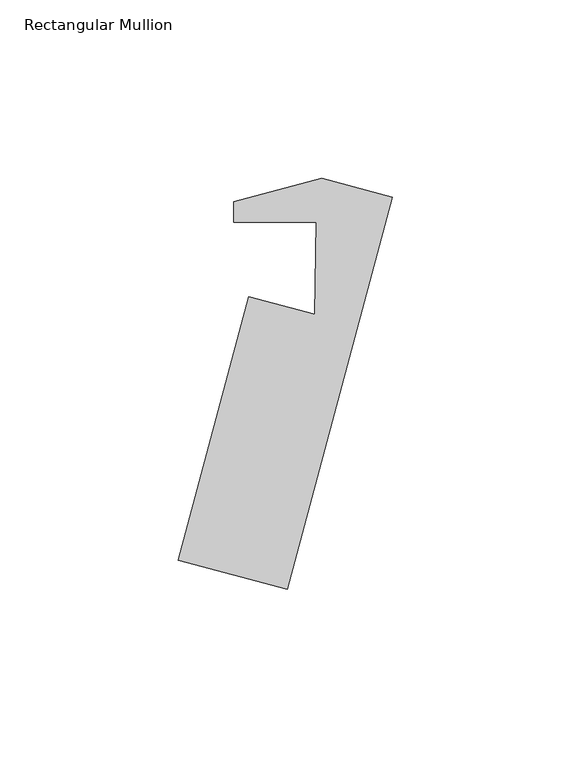
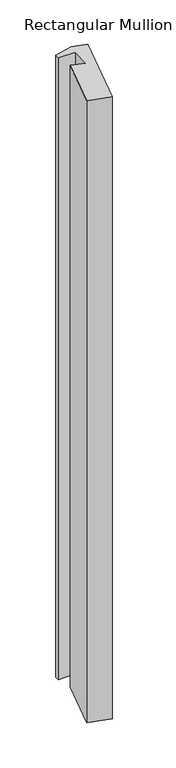
"""IFC4 building model written with IfcOpenShell, lengths in millimetres: member geometry, Rectangular Mullion."""

import ifcopenshell
import ifcopenshell.guid

model = None  # the IFC model being written
_history = None  # IfcOwnerHistory: only IFC2X3 demands one
_inside = {}  # id of a spatial element -> (the spatial element, [elements in it])
_under = {}  # id of a project, library or spatial element -> (it, [spatial elements below it])
_declared = {}  # id of a project -> (the project, [libraries it declares])
_typed = {}  # id of a type object -> (the type object, [elements of that type])
_made_of = {}  # id of a material, layer set ... -> (it, [elements and type objects made of it])


def new_model(schema):
    """Start an empty IFC model of exactly this schema.

    Asked for "IFC4X3", IfcOpenShell would pick the latest addendum, in which some entities
    have other attributes; the version numbers below select the first issue.
    IFC2X3 requires an IfcOwnerHistory on every rooted entity: one is made here for all.
    """
    global model, _history
    if schema == "IFC4X3":
        model = ifcopenshell.file(schema_version=(4, 3, 0, 0))
    else:
        model = ifcopenshell.file(schema=schema)
    _inside.clear()
    _under.clear()
    _declared.clear()
    _typed.clear()
    _made_of.clear()
    _history = None
    if model.schema == "IFC2X3":
        org = make("IfcOrganization", Name="unknown")
        user = make(
            "IfcPersonAndOrganization",
            ThePerson=make("IfcPerson", FamilyName="unknown"),
            TheOrganization=org,
        )
        app = make(
            "IfcApplication",
            ApplicationDeveloper=org,
            Version="unknown",
            ApplicationFullName="unknown",
            ApplicationIdentifier="unknown",
        )
        _history = make(
            "IfcOwnerHistory",
            OwningUser=user,
            OwningApplication=app,
            ChangeAction="ADDED",
            CreationDate=0,
        )
    return model


def make(cls, **values):
    """One entity of the class cls with the attributes given. An attribute that is None is left unset."""
    return model.create_entity(
        cls, **{name: value for name, value in values.items() if value is not None}
    )


def rooted(cls, **values):
    """An entity with a GlobalId (a new one), such as an element, a storey or a relation."""
    return make(cls, GlobalId=ifcopenshell.guid.new(), OwnerHistory=_history, **values)


def si_unit(unit_type, name, prefix=None):
    """IfcSIUnit, for example si_unit("LENGTHUNIT", "METRE", prefix="MILLI")."""
    return make("IfcSIUnit", UnitType=unit_type, Prefix=prefix, Name=name)


def assignment(units):
    """IfcUnitAssignment: the units of a project."""
    return None if units is None else make("IfcUnitAssignment", Units=units)


def point(xyz):
    """IfcCartesianPoint."""
    return None if xyz is None else make("IfcCartesianPoint", Coordinates=xyz)


def direction(xyz):
    """IfcDirection."""
    return None if xyz is None else make("IfcDirection", DirectionRatios=xyz)


def frame(location, z_axis=None, x_axis=None):
    """IfcAxis2Placement3D, a coordinate frame: its origin and axes. An axis left out is left unset."""
    return make(
        "IfcAxis2Placement3D",
        Location=point(location),
        Axis=direction(z_axis),
        RefDirection=direction(x_axis),
    )


def origin():
    """The frame at (0, 0, 0) with its axes left unset."""
    return frame((0.0, 0.0, 0.0))


def place(relative_to, where):
    """IfcLocalPlacement: puts the frame where relative to a parent placement (None: the world)."""
    return make(
        "IfcLocalPlacement", PlacementRelTo=relative_to, RelativePlacement=where
    )


def context(
    kind, dimensions, precision=None, world=None, true_north=None, identifier=None
):
    """IfcGeometricRepresentationContext, for example the 3D "Model" context."""
    return make(
        "IfcGeometricRepresentationContext",
        ContextIdentifier=identifier,
        ContextType=kind,
        CoordinateSpaceDimension=dimensions,
        Precision=precision,
        WorldCoordinateSystem=world,
        TrueNorth=true_north,
    )


def project(units=None, contexts=None):
    """IfcProject with its units and contexts."""
    return rooted(
        "IfcProject",
        Name="project",
        RepresentationContexts=contexts,
        UnitsInContext=assignment(units),
    )


def spatial(cls, under=None, at=None, **own):
    """A site, building, storey or space (cls), placed at a placement, below another one or the project."""
    s = rooted(cls, ObjectPlacement=at, **own)
    if under is not None:
        _under.setdefault(under.id(), (under, []))[1].append(s)
    return s


def polyline(points):
    """IfcPolyline through the points."""
    return make("IfcPolyline", Points=[point(p) for p in points])


def outline(outer, holes=None, kind="AREA"):
    """IfcArbitraryClosedProfileDef: a profile drawn as a closed curve; with holes, ...WithVoids."""
    if holes is None:
        return make("IfcArbitraryClosedProfileDef", ProfileType=kind, OuterCurve=outer)
    return make(
        "IfcArbitraryProfileDefWithVoids",
        ProfileType=kind,
        OuterCurve=outer,
        InnerCurves=holes,
    )


def extrude(swept, where, along, depth):
    """IfcExtrudedAreaSolid: the profile swept, set in the frame where, extruded along a direction by depth."""
    return make(
        "IfcExtrudedAreaSolid",
        SweptArea=swept,
        Position=where,
        ExtrudedDirection=direction(along),
        Depth=depth,
    )


def shape(context_of_items, identifier, shape_type, items):
    """IfcShapeRepresentation: the items that make up one representation, for example the "Body"."""
    return make(
        "IfcShapeRepresentation",
        ContextOfItems=context_of_items,
        RepresentationIdentifier=identifier,
        RepresentationType=shape_type,
        Items=items,
    )


def source(mapping_origin, context_of_items, identifier, shape_type, items):
    """IfcRepresentationMap: a shape defined once, which mapped items show again and again."""
    return make(
        "IfcRepresentationMap",
        MappingOrigin=mapping_origin,
        MappedRepresentation=shape(context_of_items, identifier, shape_type, items),
    )


def transform(
    local_origin,
    x_axis=None,
    y_axis=None,
    z_axis=None,
    scale=None,
    scale2=None,
    scale3=None,
    uniform=True,
):
    """IfcCartesianTransformationOperator3D, or its non-uniform kind. x_axis, y_axis, z_axis: its Axis1, 2, 3."""
    if uniform:
        return make(
            "IfcCartesianTransformationOperator3D",
            Axis1=direction(x_axis),
            Axis2=direction(y_axis),
            LocalOrigin=point(local_origin),
            Scale=scale,
            Axis3=direction(z_axis),
        )
    return make(
        "IfcCartesianTransformationOperator3DnonUniform",
        Axis1=direction(x_axis),
        Axis2=direction(y_axis),
        LocalOrigin=point(local_origin),
        Scale=scale,
        Axis3=direction(z_axis),
        Scale2=scale2,
        Scale3=scale3,
    )


def mapped(mapping_source, mapping_target):
    """IfcMappedItem: shows the shape of a source again, moved by a transform."""
    return make(
        "IfcMappedItem", MappingSource=mapping_source, MappingTarget=mapping_target
    )


def made_of(thing, what):
    """Note that an element or type object is made of a material, layer set ...; save() writes the relation."""
    if what is not None:
        _made_of.setdefault(what.id(), (what, []))[1].append(thing)
    return thing


def element(
    cls,
    number,
    at=None,
    inside=None,
    cuts=None,
    type_object=None,
    material=None,
    context=None,
    identifier="Body",
    shape_type=None,
    held_by="IfcProductDefinitionShape",
    body=None,
    shapes=None,
    **own,
):
    """One element of the class cls, such as IfcWall. Its Tag is "e" and its number.

    at: its placement. inside: the storey or other place that contains it. cuts: it is an
    opening in that element (IfcRelVoidsElement). A single representation is given by context,
    identifier, shape_type and body (its items); several are given by shapes. held_by: the class
    of the entity that holds the representations. save() writes the other relations.
    """
    e = rooted(cls, Tag="e%d" % number, ObjectPlacement=at, **own)
    if body is not None:
        shapes = [shape(context, identifier, shape_type, body)]
    if shapes is not None:
        e.Representation = make(held_by, Representations=shapes)
    if inside is not None:
        _inside.setdefault(inside.id(), (inside, []))[1].append(e)
    if cuts is not None:
        rooted(
            "IfcRelVoidsElement", RelatingBuildingElement=cuts, RelatedOpeningElement=e
        )
    if type_object is not None:
        _typed.setdefault(type_object.id(), (type_object, []))[1].append(e)
    return made_of(e, material)


def aggregate(whole, parts):
    """IfcRelAggregates: a whole, such as a stair, and the parts it consists of."""
    return rooted("IfcRelAggregates", RelatingObject=whole, RelatedObjects=parts)


def save(model, path):
    """Write the relations noted so far, then the file.

    IfcRelAggregates (storeys below a building ...), IfcRelContainedInSpatialStructure (elements
    in a storey), IfcRelDefinesByType, IfcRelAssociatesMaterial and IfcRelDeclares: one each for
    every whole, place, type object, material and project.
    """
    for whole, parts in _under.values():
        aggregate(whole, parts)
    for where, things in _inside.values():
        rooted(
            "IfcRelContainedInSpatialStructure",
            RelatedElements=things,
            RelatingStructure=where,
        )
    for kind, things in _typed.values():
        rooted("IfcRelDefinesByType", RelatedObjects=things, RelatingType=kind)
    for what, things in _made_of.values():
        rooted("IfcRelAssociatesMaterial", RelatedObjects=things, RelatingMaterial=what)
    for by, libraries in _declared.values():
        rooted("IfcRelDeclares", RelatingContext=by, RelatedDefinitions=libraries)
    model.write(path)


def rectangular_mullion_c228ded9(model_context):
    return source(origin(), model_context, "Body", "SweptSolid", [
        extrude(outline(polyline([(-41.3727787, 10.7125168), (-16.6940952, 17.3251501), (3.2129952, 11.9910613), (-26.2787582, -98.0736608), (-56.9469032, -89.8561562), (-37.1394299, -15.9336595), (-18.617568, -20.8965774), (-18.1301183, 4.9018396), (-41.3727787, 4.9018396), (-41.3727787, 10.7125168)])), frame((0.0, 0.0, -906.5617188), z_axis=(0.0, 0.0, 1.0), x_axis=(1.0, 0.0, 0.0)), (0.0, 0.0, 1.0), 906.5617188),
    ])


if __name__ == "__main__":
    model = new_model("IFC4")
    model_context = context("Model", 3, world=origin())
    ifc_project = project(units=[si_unit("LENGTHUNIT", "METRE", prefix="MILLI")], contexts=[model_context])
    site = spatial("IfcSite", under=ifc_project)
    building = spatial("IfcBuilding", under=site)
    placement = place(None, origin())
    rectangular_mullion_shape = rectangular_mullion_c228ded9(model_context)
    element("IfcMember", 1, ObjectType="Rectangular Mullion", at=placement, inside=building, context=model_context, shape_type="MappedRepresentation", body=[
        mapped(rectangular_mullion_shape, transform((0.0, 0.0, 0.0), x_axis=(1.0, 0.0, 0.0), y_axis=(0.0, 1.0, 0.0), z_axis=(0.0, 0.0, 1.0))),
    ])
    save(model, "model.ifc")
